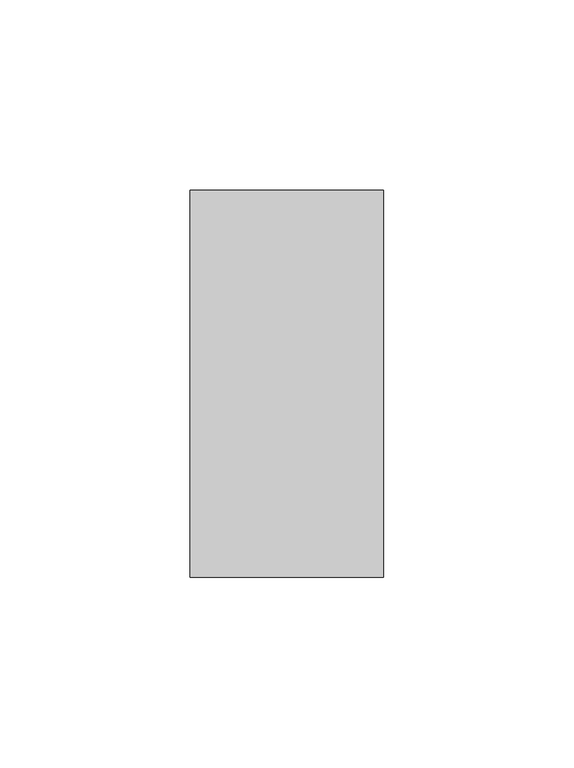
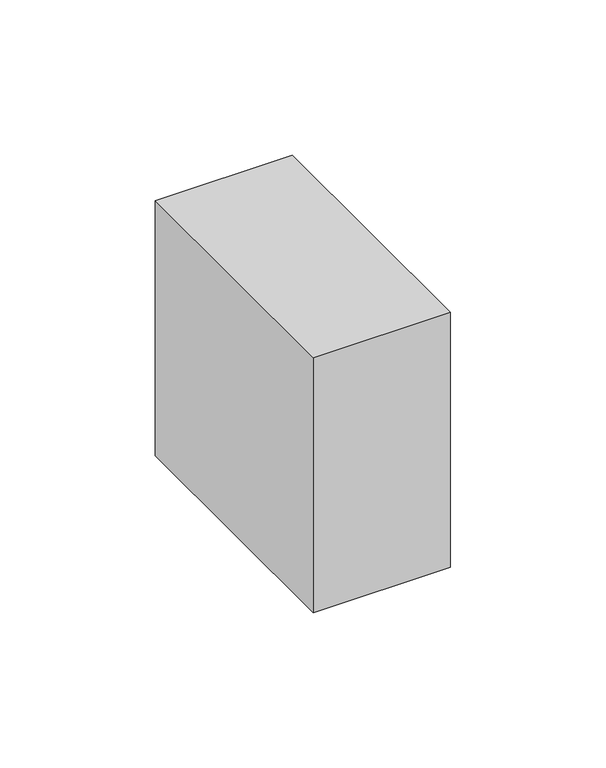
"""IFC4 building model written with IfcOpenShell, lengths in millimetres: proxy geometry."""

from ifc_helpers import new_model, si_unit, origin, origin_with_axes, place, context, project, spatial, polyline, outline, extrude, source, transform, mapped, element, save


def generic_models_f3bce43d(model_context):
    return source(origin(), model_context, "Body", "SweptSolid", [
        extrude(outline(polyline([(50.8, 0.0), (0.0, 0.0), (0.0, 101.6), (50.8, 101.6), (50.8, 0.0)])), origin_with_axes(), (0.0, 0.0, 1.0), 100.0),
    ])


if __name__ == "__main__":
    model = new_model("IFC4")
    model_context = context("Model", 3, world=origin())
    ifc_project = project(units=[si_unit("LENGTHUNIT", "METRE", prefix="MILLI")], contexts=[model_context])
    site = spatial("IfcSite", under=ifc_project)
    building = spatial("IfcBuilding", under=site)
    placement = place(None, origin())
    generic_models_shape = generic_models_f3bce43d(model_context)
    element("IfcBuildingElementProxy", 1, Name="Generic Models", at=placement, inside=building, context=model_context, shape_type="MappedRepresentation", body=[
        mapped(generic_models_shape, transform((0.0, 0.0, 0.0), x_axis=(1.0, 0.0, 0.0), y_axis=(0.0, 1.0, 0.0), z_axis=(0.0, 0.0, 1.0))),
    ])
    save(model, "model.ifc")
